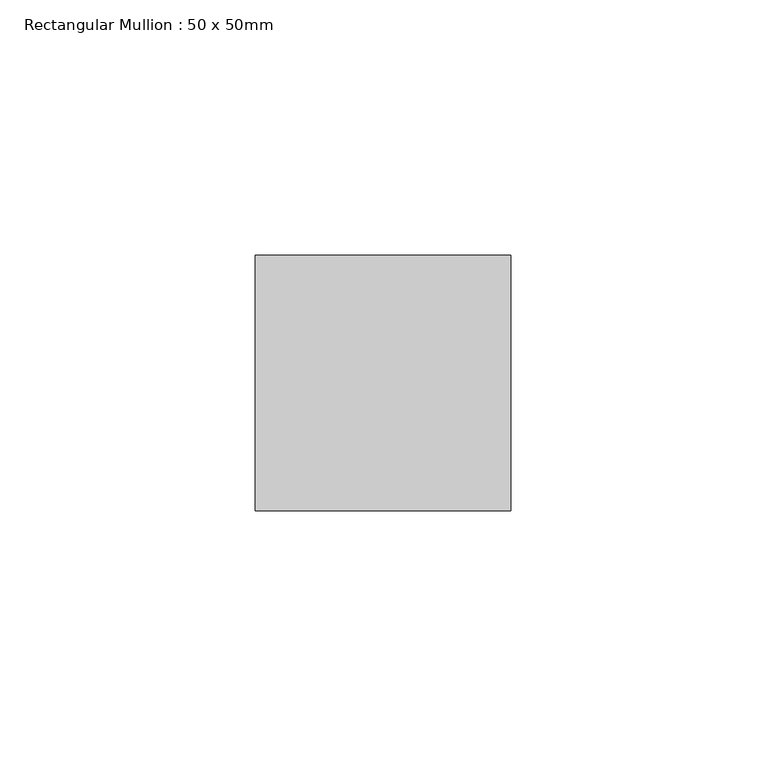
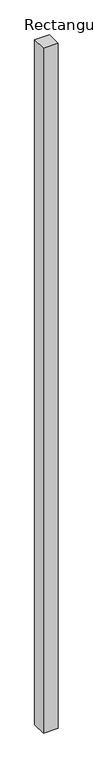
"""IFC4 building model written with IfcOpenShell, lengths in millimetres: member geometry, Rectangular Mullion : 50 x 50mm."""

from ifc_helpers import new_model, si_unit, frame, origin, place, context, project, spatial, polyline, outline, extrude, source, transform, mapped, element, save


def rectangular_mullion_50_x_50mm_3529be69(model_context):
    return source(origin(), model_context, "Body", "SweptSolid", [
        extrude(outline(polyline([(25.0, 50.0), (25.0, 0.0), (-25.0, 0.0), (-25.0, 50.0), (25.0, 50.0)])), frame((0.0, 0.0, -2420.0), z_axis=(0.0, 0.0, 1.0), x_axis=(1.0, 0.0, 0.0)), (0.0, 0.0, 1.0), 2420.0),
    ])


if __name__ == "__main__":
    model = new_model("IFC4")
    model_context = context("Model", 3, world=origin())
    ifc_project = project(units=[si_unit("LENGTHUNIT", "METRE", prefix="MILLI")], contexts=[model_context])
    site = spatial("IfcSite", under=ifc_project)
    building = spatial("IfcBuilding", under=site)
    placement = place(None, origin())
    rectangular_mullion_50_x_50mm_shape = rectangular_mullion_50_x_50mm_3529be69(model_context)
    element("IfcMember", 1, ObjectType="Rectangular Mullion : 50 x 50mm", at=placement, inside=building, context=model_context, shape_type="MappedRepresentation", body=[
        mapped(rectangular_mullion_50_x_50mm_shape, transform((0.0, 0.0, 0.0), x_axis=(1.0, 0.0, 0.0), y_axis=(0.0, 1.0, 0.0), z_axis=(0.0, 0.0, 1.0))),
    ])
    save(model, "model.ifc")
